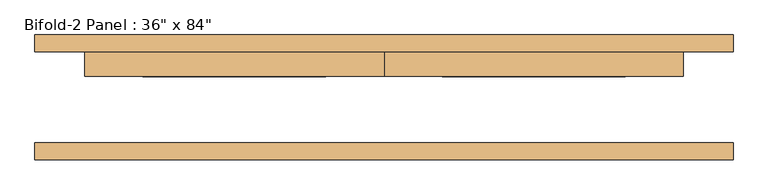
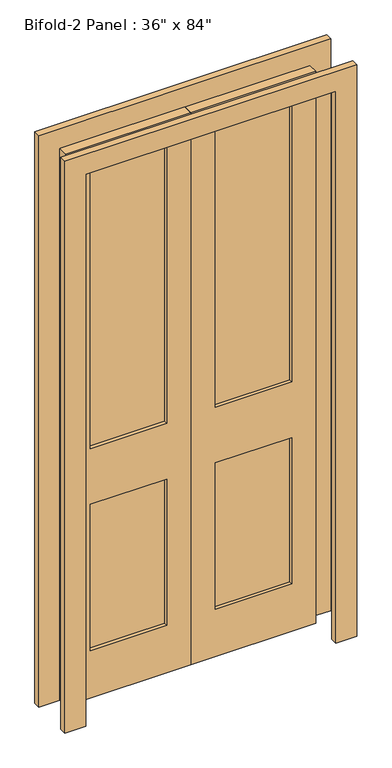
"""IFC4 building model written with IfcOpenShell, lengths in millimetres: door geometry."""

from ifc_helpers import new_model, si_unit, frame, origin, place, context, project, spatial, polyline, outline, extrude, source, transform, mapped, element, save


def door_c5f0684f(model_context):
    return source(origin(), model_context, "Body", "SweptSolid", [
        extrude(outline(polyline([(2133.6, 0.0), (2133.6, -457.2), (0.0, -457.2), (0.0, 0.0), (2133.6, 0.0)]), holes=[polyline([(2044.7, -88.9), (965.11872, -88.9), (965.11872, -368.3), (2044.7, -368.3), (2044.7, -88.9)]), polyline([(749.3, -88.9), (184.15, -88.9), (184.15, -368.3), (749.3, -368.3), (749.3, -88.9)])]), frame((0.0, 31.75, 0.0), z_axis=(0.0, 1.0, 0.0), x_axis=(0.0, 0.0, 1.0)), (0.0, 0.0, 1.0), 38.1),
        extrude(outline(polyline([(-88.9, 44.45), (-368.3, 44.45), (-368.3, 57.15), (-88.9, 57.15), (-88.9, 44.45)])), frame((0.0, 0.0, 965.11872), z_axis=(0.0, 0.0, 1.0), x_axis=(1.0, 0.0, 0.0)), (0.0, 0.0, 1.0), 1079.58128),
        extrude(outline(polyline([(-88.9, 44.45), (-368.3, 44.45), (-368.3, 57.15), (-88.9, 57.15), (-88.9, 44.45)])), frame((0.0, 0.0, 184.15), z_axis=(0.0, 0.0, 1.0), x_axis=(1.0, 0.0, 0.0)), (0.0, 0.0, 1.0), 565.15),
        extrude(outline(polyline([(368.3, 44.45), (88.9, 44.45), (88.9, 57.15), (368.3, 57.15), (368.3, 44.45)])), frame((0.0, 0.0, 965.11872), z_axis=(0.0, 0.0, 1.0), x_axis=(1.0, 0.0, 0.0)), (0.0, 0.0, 1.0), 1079.58128),
        extrude(outline(polyline([(368.3, 44.45), (88.9, 44.45), (88.9, 57.15), (368.3, 57.15), (368.3, 44.45)])), frame((0.0, 0.0, 184.15), z_axis=(0.0, 0.0, 1.0), x_axis=(1.0, 0.0, 0.0)), (0.0, 0.0, 1.0), 565.15),
        extrude(outline(polyline([(2209.8, -533.4), (0.0, -533.4), (0.0, -457.2), (2133.6, -457.2), (2133.6, 457.2), (0.0, 457.2), (0.0, 533.4), (2209.8, 533.4), (2209.8, -533.4)])), frame((0.0, 69.85, 0.0), z_axis=(0.0, 1.0, 0.0), x_axis=(0.0, 0.0, 1.0)), (0.0, 0.0, 1.0), 25.4),
        extrude(outline(polyline([(2209.8, 533.4), (2209.8, -533.4), (0.0, -533.4), (0.0, -457.2), (2133.6, -457.2), (2133.6, 457.2), (0.0, 457.2), (0.0, 533.4), (2209.8, 533.4)])), frame((0.0, -95.25, 0.0), z_axis=(0.0, 1.0, 0.0), x_axis=(0.0, 0.0, 1.0)), (0.0, 0.0, 1.0), 25.4),
        extrude(outline(polyline([(2133.6, 457.2), (2133.6, 0.0), (0.0, 0.0), (0.0, 457.2), (2133.6, 457.2)]), holes=[polyline([(2044.7, 88.9), (2044.7, 368.3), (965.11872, 368.3), (965.11872, 88.9), (2044.7, 88.9)]), polyline([(749.3, 88.9), (749.3, 368.3), (184.15, 368.3), (184.15, 88.9), (749.3, 88.9)])]), frame((0.0, 31.75, 0.0), z_axis=(0.0, 1.0, 0.0), x_axis=(0.0, 0.0, 1.0)), (0.0, 0.0, 1.0), 38.1),
    ])


if __name__ == "__main__":
    model = new_model("IFC4")
    model_context = context("Model", 3, world=origin())
    ifc_project = project(units=[si_unit("LENGTHUNIT", "METRE", prefix="MILLI")], contexts=[model_context])
    site = spatial("IfcSite", under=ifc_project)
    building = spatial("IfcBuilding", under=site)
    placement = place(None, origin())
    door_shape = door_c5f0684f(model_context)
    element("IfcDoor", 1, ObjectType="Bifold-2 Panel : 36\" x 84\"", at=placement, inside=building, context=model_context, shape_type="MappedRepresentation", body=[
        mapped(door_shape, transform((0.0, 0.0, 0.0), x_axis=(1.0, 0.0, 0.0), y_axis=(0.0, 1.0, 0.0), z_axis=(0.0, 0.0, 1.0))),
    ])
    save(model, "model.ifc")
